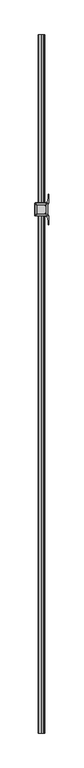
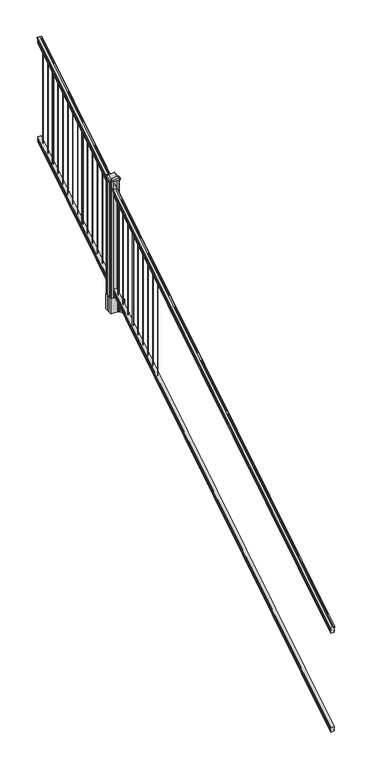
"""IFC4 building model written with IfcOpenShell, lengths in millimetres: railing geometry."""

from ifc_helpers import new_model, si_unit, point, frame, frame_2d, origin, place, context, project, spatial, polyline, circle_curve, ellipse_curve, trimmed, segment, composite_curve, outline, extrude, faceted_brep, source, transform, mapped, element, save
from ifc_brep_helpers import plane_surface, cylinder_surface, revolved_surface, extruded_surface, advanced_brep


def railing_d40b862f(model_context):
    return source(origin(), model_context, "Body", "SolidModel", [
        advanced_brep(
        [(8666.232944, -87458.4628453, 1285.6070492), (8668.8067728, -87458.4628453, 1285.6070492), (8668.8067728, -87458.4628453, 1273.0394336), (8667.7907728, -87458.4628453, 1271.841318), (8667.7907728, -87458.4628453, 1257.3), (8699.5407728, -87458.4628453, 1257.3), (8699.5407728, -87458.4628453, 1272.0274214), (8698.5247728, -87458.4628453, 1273.225537), (8698.5247728, -87458.4628453, 1285.6070492), (8701.0986015, -87458.4628453, 1285.6070492), (8701.0986015, -87458.4628453, 1287.8335658), (8702.2287878, -87458.4628453, 1289.6758543), (8702.2287878, -87458.4628453, 1298.1876358), (8701.5795314, -87458.4628453, 1301.0572588), (8704.0795314, -87458.4628453, 1306.1635509), (8705.4888739, -87458.4628453, 1308.1442021), (8705.8907729, -87458.4628453, 1309.4469579), (8705.8907728, -87458.4628453, 1311.0274846), (8704.3373255, -87458.4628453, 1312.8593836), (8683.6657728, -87458.4628453, 1312.8593836), (8662.99422, -87458.4628453, 1312.8593836), (8661.4407728, -87458.4628453, 1311.0274846), (8661.4407728, -87458.4628453, 1309.4469579), (8661.8426717, -87458.4628453, 1308.1442021), (8663.2520141, -87458.4628453, 1306.1635509), (8665.7520141, -87458.4628453, 1301.0572588), (8665.1027577, -87458.4628453, 1298.1876358), (8665.1027577, -87458.4628453, 1289.6758543), (8666.232944, -87458.4628453, 1287.8335658), (8666.232944, -82581.6628453, 4333.6070492), (8666.232944, -82581.6628453, 4335.8335658), (8665.1027577, -82581.6628453, 4337.6758543), (8665.1027577, -82581.6628453, 4346.1876358), (8665.7520141, -82581.6628453, 4349.0572588), (8663.2520141, -82581.6628453, 4354.1635509), (8661.8426717, -82581.6628453, 4356.1442021), (8661.4407727, -82581.6628453, 4357.4469579), (8661.4407728, -82581.6628453, 4359.0274846), (8662.99422, -82581.6628453, 4360.8593836), (8683.6657728, -82581.6628453, 4360.8593836), (8704.3373255, -82581.6628453, 4360.8593836), (8705.8907728, -82581.6628453, 4359.0274846), (8705.8907728, -82581.6628453, 4357.4469579), (8705.4888739, -82581.6628453, 4356.1442021), (8704.0795314, -82581.6628453, 4354.1635509), (8701.5795314, -82581.6628453, 4349.0572588), (8702.2287878, -82581.6628453, 4346.1876358), (8702.2287878, -82581.6628453, 4337.6758543), (8701.0986015, -82581.6628453, 4335.8335658), (8701.0986015, -82581.6628453, 4333.6070492), (8698.5247728, -82581.6628453, 4333.6070492), (8698.5247728, -82581.6628453, 4321.225537), (8699.5407728, -82581.6628453, 4320.0274214), (8699.5407728, -82581.6628453, 4305.3), (8667.7907728, -82581.6628453, 4305.3), (8667.7907728, -82581.6628453, 4319.841318), (8668.8067728, -82581.6628453, 4321.0394336), (8668.8067728, -82581.6628453, 4333.6070492)],
        [
            (0, 1, ellipse_curve(frame((8667.5198584, -87458.4628453, 1285.6070492), z_axis=(0.0, -1.0, 0.0), x_axis=(0.0, 0.0, -1.0)), 1.5175907, 1.2869144)),
            (1, 2),
            (2, 3),
            (3, 4),
            (4, 5),
            (5, 6),
            (6, 7),
            (7, 8),
            (8, 9, ellipse_curve(frame((8699.8116871, -87458.4628453, 1285.6070492), z_axis=(0.0, -1.0, 0.0), x_axis=(0.0, 0.0, -1.0)), 1.5175907, 1.2869144)),
            (9, 10),
            (10, 11, ellipse_curve(frame((8694.7838482, -87458.4628453, 1294.6239405), z_axis=(0.0, -1.0, 0.0), x_axis=(0.0, 0.0, -1.0)), 10.0777926, 8.545951)),
            (11, 12, ellipse_curve(frame((8695.2209112, -87458.4628453, 1293.9317451), z_axis=(0.0, -1.0, 0.0), x_axis=(0.0, 0.0, -1.0)), 9.2955186, 7.882584)),
            (12, 13, ellipse_curve(frame((8705.7342353, -87458.4628453, 1300.8275077), z_axis=(0.0, 1.0, 0.0), x_axis=(0.0, 0.0, 1.0)), 4.9048088, 4.1592695)),
            (13, 14, ellipse_curve(frame((8707.0215419, -87458.4628453, 1300.7563208), z_axis=(0.0, 1.0, 0.0), x_axis=(0.0, 0.0, 1.0)), 6.4245301, 5.4479907)),
            (14, 15, ellipse_curve(frame((8705.7883834, -87458.4628453, 1306.1602333), z_axis=(0.0, 1.0, 0.0), x_axis=(0.0, 0.0, 1.0)), 2.0151625, 1.7088543)),
            (15, 16, ellipse_curve(frame((8704.1714833, -87458.4628453, 1309.4469579), z_axis=(0.0, -1.0, 0.0), x_axis=(0.0, 0.0, -1.0)), 2.0274681, 1.7192895)),
            (16, 17),
            (17, 18, ellipse_curve(frame((8704.3373255, -87458.4628453, 1311.0274846), z_axis=(0.0, -1.0, 0.0), x_axis=(0.0, 0.0, -1.0)), 1.831899, 1.5534472)),
            (18, 19),
            (19, 20),
            (20, 21, ellipse_curve(frame((8662.99422, -87458.4628453, 1311.0274846), z_axis=(0.0, -1.0, 0.0), x_axis=(0.0, 0.0, -1.0)), 1.831899, 1.5534472)),
            (21, 22),
            (22, 23, ellipse_curve(frame((8663.1600622, -87458.4628453, 1309.4469579), z_axis=(0.0, -1.0, 0.0), x_axis=(0.0, 0.0, -1.0)), 2.0274681, 1.7192895)),
            (23, 24, ellipse_curve(frame((8661.5431621, -87458.4628453, 1306.1602333), z_axis=(0.0, 1.0, 0.0), x_axis=(0.0, 0.0, 1.0)), 2.0151625, 1.7088543)),
            (24, 25, ellipse_curve(frame((8660.3100037, -87458.4628453, 1300.7563208), z_axis=(0.0, 1.0, 0.0), x_axis=(0.0, 0.0, 1.0)), 6.4245301, 5.4479907)),
            (25, 26, ellipse_curve(frame((8661.5973102, -87458.4628453, 1300.8275077), z_axis=(0.0, 1.0, 0.0), x_axis=(0.0, 0.0, 1.0)), 4.9048088, 4.1592695)),
            (26, 27, ellipse_curve(frame((8672.1106343, -87458.4628453, 1293.9317451), z_axis=(0.0, -1.0, 0.0), x_axis=(0.0, 0.0, -1.0)), 9.2955186, 7.882584)),
            (27, 28, ellipse_curve(frame((8672.5476973, -87458.4628453, 1294.6239405), z_axis=(0.0, -1.0, 0.0), x_axis=(0.0, 0.0, -1.0)), 10.0777926, 8.545951)),
            (28, 0),
            (29, 30),
            (30, 31, ellipse_curve(frame((8672.5476973, -82581.6628453, 4342.6239405), z_axis=(0.0, 1.0, 0.0), x_axis=(0.0, 0.0, -1.0)), 10.0777926, 8.545951)),
            (31, 32, ellipse_curve(frame((8672.1106343, -82581.6628453, 4341.9317451), z_axis=(0.0, 1.0, 0.0), x_axis=(0.0, 0.0, -1.0)), 9.2955186, 7.882584)),
            (32, 33, ellipse_curve(frame((8661.5973102, -82581.6628453, 4348.8275077), z_axis=(0.0, -1.0, 0.0), x_axis=(0.0, 0.0, 1.0)), 4.9048088, 4.1592695)),
            (33, 34, ellipse_curve(frame((8660.3100037, -82581.6628453, 4348.7563208), z_axis=(0.0, -1.0, 0.0), x_axis=(0.0, 0.0, 1.0)), 6.4245301, 5.4479907)),
            (34, 35, ellipse_curve(frame((8661.5431621, -82581.6628453, 4354.1602333), z_axis=(0.0, -1.0, 0.0), x_axis=(0.0, 0.0, 1.0)), 2.0151625, 1.7088543)),
            (35, 36, ellipse_curve(frame((8663.1600622, -82581.6628453, 4357.4469579), z_axis=(0.0, 1.0, 0.0), x_axis=(0.0, 0.0, -1.0)), 2.0274681, 1.7192895)),
            (36, 37),
            (37, 38, ellipse_curve(frame((8662.99422, -82581.6628453, 4359.0274846), z_axis=(0.0, 1.0, 0.0), x_axis=(0.0, 0.0, -1.0)), 1.831899, 1.5534472)),
            (38, 39),
            (39, 40),
            (40, 41, ellipse_curve(frame((8704.3373255, -82581.6628453, 4359.0274846), z_axis=(0.0, 1.0, 0.0), x_axis=(0.0, 0.0, -1.0)), 1.831899, 1.5534472)),
            (41, 42),
            (42, 43, ellipse_curve(frame((8704.1714833, -82581.6628453, 4357.4469579), z_axis=(0.0, 1.0, 0.0), x_axis=(0.0, 0.0, -1.0)), 2.0274681, 1.7192895)),
            (43, 44, ellipse_curve(frame((8705.7883834, -82581.6628453, 4354.1602333), z_axis=(0.0, -1.0, 0.0), x_axis=(0.0, 0.0, 1.0)), 2.0151625, 1.7088543)),
            (44, 45, ellipse_curve(frame((8707.0215419, -82581.6628453, 4348.7563208), z_axis=(0.0, -1.0, 0.0), x_axis=(0.0, 0.0, 1.0)), 6.4245301, 5.4479907)),
            (45, 46, ellipse_curve(frame((8705.7342353, -82581.6628453, 4348.8275077), z_axis=(0.0, -1.0, 0.0), x_axis=(0.0, 0.0, 1.0)), 4.9048088, 4.1592695)),
            (46, 47, ellipse_curve(frame((8695.2209112, -82581.6628453, 4341.9317451), z_axis=(0.0, 1.0, 0.0), x_axis=(0.0, 0.0, -1.0)), 9.2955186, 7.882584)),
            (47, 48, ellipse_curve(frame((8694.7838482, -82581.6628453, 4342.6239405), z_axis=(0.0, 1.0, 0.0), x_axis=(0.0, 0.0, -1.0)), 10.0777926, 8.545951)),
            (48, 49),
            (49, 50, ellipse_curve(frame((8699.8116871, -82581.6628453, 4333.6070492), z_axis=(0.0, 1.0, 0.0), x_axis=(0.0, 0.0, -1.0)), 1.5175907, 1.2869144)),
            (50, 51),
            (51, 52),
            (52, 53),
            (53, 54),
            (54, 55),
            (55, 56),
            (56, 57),
            (57, 29, ellipse_curve(frame((8667.5198584, -82581.6628453, 4333.6070492), z_axis=(0.0, 1.0, 0.0), x_axis=(0.0, 0.0, -1.0)), 1.5175907, 1.2869144)),
            (28, 30),
            (29, 0),
            (27, 31),
            (26, 32),
            (25, 33),
            (24, 34),
            (23, 35),
            (22, 36),
            (21, 37),
            (20, 38),
            (19, 39),
            (18, 40),
            (17, 41),
            (16, 42),
            (15, 43),
            (14, 44),
            (13, 45),
            (12, 46),
            (11, 47),
            (10, 48),
            (9, 49),
            (8, 50),
            (7, 51),
            (6, 52),
            (5, 53),
            (4, 54),
            (3, 55),
            (2, 56),
            (1, 57),
        ],
        [
            plane_surface(frame((8683.6657728, -87458.4628453, 1257.3), z_axis=(0.0, -1.0, 0.0), x_axis=(0.0, 0.0, 1.0))),
            plane_surface(frame((8683.6657728, -82581.6628453, 4305.3), z_axis=(0.0, 1.0, 0.0), x_axis=(0.0, 0.0, 1.0))),
            plane_surface(frame((8666.232944, -87458.4628453, 1287.8335658), z_axis=(-1.0, 0.0, 0.0), x_axis=(0.0, 0.8479983040051252, 0.5299989400031204))),
            cylinder_surface(frame((8672.5476973, -87475.23765, 1284.1396876), z_axis=(0.0, -0.8479983040051253, -0.5299989400031204), x_axis=(1.0, 0.0, 0.0)), 8.545951),
            cylinder_surface(frame((8672.1106343, -87474.9265509, 1283.641929), z_axis=(0.0, -0.8479983040051253, -0.5299989400031204), x_axis=(1.0, 0.0, 0.0)), 7.882584),
            revolved_surface(polyline([(8665.7565797, -82579.45843685034, 4350.205262980551), (8665.7565797, -87460.66725374945, 1299.4497524190954)]), (8661.5973102, -87478.0257701, 1288.6006797), (0.0, 0.8479983040051253, 0.5299989400031204)),
            revolved_surface(polyline([(8665.7579944, -82578.77541603574, 4350.5609640771845), (8665.7579944, -87461.35027455281, 1298.9516775044929)]), (8660.3100037, -87477.993776, 1288.5494891), (0.0, 0.8479983040051253, 0.5299989400031204)),
            revolved_surface(polyline([(8663.252016400002, -82580.75715429979, 4354.726290199658), (8663.252016400002, -87459.36853632248, 1305.5941764359545)]), (8661.5431621, -87480.4225007, 1292.4354487), (0.0, 0.8479983040051253, 0.5299989400031204)),
            cylinder_surface(frame((8663.1600622, -87481.8996803, 1294.798936), z_axis=(0.0, -0.8479983040051253, -0.5299989400031204), x_axis=(1.0, 0.0, 0.0)), 1.7192895),
            plane_surface(frame((8661.4407728, -87458.4628453, 1311.0274846), z_axis=(-1.0000000000000002, 0.0, 0.0), x_axis=(0.0, 0.8479983040051253, 0.5299989400031204))),
            cylinder_surface(frame((8662.99422, -87482.6100294, 1295.9354945), z_axis=(0.0, -0.8479983040051253, -0.5299989400031204), x_axis=(1.0, 0.0, 0.0)), 1.5534472),
            plane_surface(frame((8683.6657728, -87458.4628453, 1312.8593836), z_axis=(0.0, -0.5299989400031204, 0.8479983040051252), x_axis=(0.0, 0.8479983040051252, 0.5299989400031204))),
            plane_surface(frame((8704.3373255, -87458.4628453, 1312.8593836), z_axis=(0.0, -0.5299989400031204, 0.8479983040051252), x_axis=(0.0, 0.8479983040051252, 0.5299989400031204))),
            cylinder_surface(frame((8704.3373255, -87482.6100294, 1295.9354945), z_axis=(0.0, -0.8479983040051253, -0.5299989400031204), x_axis=(-1.0, 0.0, 0.0)), 1.5534472),
            plane_surface(frame((8705.8907728, -87458.4628453, 1309.4469579), z_axis=(1.0, 0.0, 0.0), x_axis=(0.0, 0.8479983040051252, 0.5299989400031204))),
            cylinder_surface(frame((8704.1714833, -87481.8996803, 1294.798936), z_axis=(0.0, -0.8479983040051253, -0.5299989400031204), x_axis=(-1.0, 0.0, 0.0)), 1.7192895),
            revolved_surface(polyline([(8704.0795291, -82580.75715429979, 4354.726290199658), (8704.0795291, -87459.36853632248, 1305.5941764359545)]), (8705.7883834, -87480.4225007, 1292.4354487), (0.0, 0.8479983040051253, 0.5299989400031204)),
            revolved_surface(polyline([(8701.5735512, -82578.77541603574, 4350.5609640771845), (8701.5735512, -87461.35027455281, 1298.9516775044929)]), (8707.0215419, -87477.993776, 1288.5494891), (0.0, 0.8479983040051253, 0.5299989400031204)),
            revolved_surface(polyline([(8701.5749658, -82579.45843685034, 4350.205262980551), (8701.5749658, -87460.66725374945, 1299.4497524190954)]), (8705.7342353, -87478.0257701, 1288.6006797), (0.0, 0.8479983040051253, 0.5299989400031204)),
            cylinder_surface(frame((8695.2209112, -87474.9265509, 1283.641929), z_axis=(0.0, -0.8479983040051253, -0.5299989400031204), x_axis=(-1.0, 0.0, 0.0)), 7.882584),
            cylinder_surface(frame((8694.7838482, -87475.23765, 1284.1396876), z_axis=(0.0, -0.8479983040051253, -0.5299989400031204), x_axis=(-1.0, 0.0, 0.0)), 8.545951),
            plane_surface(frame((8701.0986015, -87458.4628453, 1285.6070492), z_axis=(1.0, 0.0, 0.0), x_axis=(0.0, 0.8479983040051252, 0.5299989400031204))),
            cylinder_surface(frame((8699.8116871, -87471.1851146, 1277.6556309), z_axis=(0.0, -0.8479983040051253, -0.5299989400031204), x_axis=(-1.0, 0.0, 0.0)), 1.2869144),
            plane_surface(frame((8698.5247728, -87458.4628453, 1273.225537), z_axis=(1.0, 0.0, 0.0), x_axis=(0.0, 0.8479983040051252, 0.5299989400031204))),
            plane_surface(frame((8699.5407728, -87458.4628453, 1272.0274214), z_axis=(0.7071067811865425, -0.37476584449789213, 0.5996253511967194), x_axis=(0.0, 0.8479983040051252, 0.5299989400031204))),
            plane_surface(frame((8699.5407728, -87458.4628453, 1257.3), z_axis=(1.0, 0.0, 0.0), x_axis=(0.0, 0.8479983040051252, 0.5299989400031204))),
            plane_surface(frame((8667.7907728, -87458.4628453, 1257.3), z_axis=(0.0, 0.5299989400031204, -0.8479983040051252), x_axis=(0.0, 0.8479983040051252, 0.5299989400031204))),
            plane_surface(frame((8667.7907728, -87458.4628453, 1271.841318), z_axis=(-1.0, 0.0, 0.0), x_axis=(0.0, 0.8479983040051253, 0.5299989400031203))),
            plane_surface(frame((8668.8067728, -87458.4628453, 1273.0394336), z_axis=(-0.7071067811865401, -0.3747658444978918, 0.5996253511967223), x_axis=(0.0, 0.8479983040051253, 0.5299989400031204))),
            plane_surface(frame((8668.8067728, -87458.4628453, 1285.6070492), z_axis=(-1.0, 0.0, 0.0), x_axis=(0.0, 0.8479983040051252, 0.5299989400031204))),
            cylinder_surface(frame((8667.5198584, -87471.1851146, 1277.6556309), z_axis=(0.0, -0.8479983040051253, -0.5299989400031204), x_axis=(1.0, 0.0, 0.0)), 1.2869144),
        ],
        [
            (0, [[1, 2, 3, 4, 5, 6, 7, 8, 9, 10, 11, 12, 13, 14, 15, 16, 17, 18, 19, 20, 21, 22, 23, 24, 25, 26, 27, 28, 29]]),
            (1, [[30, 31, 32, 33, 34, 35, 36, 37, 38, 39, 40, 41, 42, 43, 44, 45, 46, 47, 48, 49, 50, 51, 52, 53, 54, 55, 56, 57, 58]]),
            (2, [[-29, 59, -30, 60]]),
            (3, [[-28, 61, -31, -59]]),
            (4, [[-27, 62, -32, -61]]),
            (5, [[-26, 63, -33, -62]]),
            (6, [[-25, 64, -34, -63]]),
            (7, [[-24, 65, -35, -64]]),
            (8, [[-23, 66, -36, -65]]),
            (9, [[-22, 67, -37, -66]]),
            (10, [[-21, 68, -38, -67]]),
            (11, [[-20, 69, -39, -68]]),
            (12, [[-19, 70, -40, -69]]),
            (13, [[-18, 71, -41, -70]]),
            (14, [[-17, 72, -42, -71]]),
            (15, [[-16, 73, -43, -72]]),
            (16, [[-15, 74, -44, -73]]),
            (17, [[-14, 75, -45, -74]]),
            (18, [[-13, 76, -46, -75]]),
            (19, [[-12, 77, -47, -76]]),
            (20, [[-11, 78, -48, -77]]),
            (21, [[-10, 79, -49, -78]]),
            (22, [[-9, 80, -50, -79]]),
            (23, [[-8, 81, -51, -80]]),
            (24, [[-7, 82, -52, -81]]),
            (25, [[-6, 83, -53, -82]]),
            (26, [[-5, 84, -54, -83]]),
            (27, [[-4, 85, -55, -84]]),
            (28, [[-3, 86, -56, -85]]),
            (29, [[-2, 87, -57, -86]]),
            (30, [[-1, -60, -58, -87]]),
        ],
    ),
        faceted_brep([(8667.7532859, -87458.4628453, 268.8045079), (8667.7532859, -87458.4628453, 254.0), (8699.5032859, -87458.4628453, 254.0), (8699.5032859, -87458.4628453, 268.7848772), (8698.4872859, -87458.4628453, 270.3748303), (8698.4872859, -87458.4628453, 282.5348741), (8699.5032859, -87458.4628453, 284.1248272), (8699.5032859, -87458.4628453, 298.9244744), (8667.7532859, -87458.4628453, 298.9244744), (8667.7532859, -87458.4628453, 284.1444579), (8668.7692859, -87458.4628453, 282.5545048), (8668.7692859, -87458.4628453, 270.338026), (8667.7532859, -82581.6628453, 3316.8045079), (8668.7692859, -82581.6628453, 3318.338026), (8668.7692859, -82581.6628453, 3330.5545048), (8667.7532859, -82581.6628453, 3332.1444579), (8667.7532859, -82581.6628453, 3346.9244744), (8699.5032859, -82581.6628453, 3346.9244744), (8699.5032859, -82581.6628453, 3332.1248272), (8698.4872859, -82581.6628453, 3330.5348741), (8698.4872859, -82581.6628453, 3318.3748303), (8699.5032859, -82581.6628453, 3316.7848772), (8699.5032859, -82581.6628453, 3302.0), (8667.7532859, -82581.6628453, 3302.0)], [[[0, 1, 2, 3, 4, 5, 6, 7, 8, 9, 10, 11]], [[12, 13, 14, 15, 16, 17, 18, 19, 20, 21, 22, 23]], [[0, 11, 13, 12]], [[11, 10, 14, 13]], [[10, 9, 15, 14]], [[9, 8, 16, 15]], [[8, 7, 17, 16]], [[7, 6, 18, 17]], [[6, 5, 19, 18]], [[5, 4, 20, 19]], [[4, 3, 21, 20]], [[3, 2, 22, 21]], [[2, 1, 23, 22]], [[1, 0, 12, 23]]]),
        extrude(outline(composite_curve([segment(trimmed(circle_curve(frame_2d((8683.6657728, -82638.8128453)), 1.5875), [point((8682.0782728, -82638.8128453))], [point((8683.6657728, -82637.2253453))], False, "CARTESIAN"), True, "CONTINUOUS"), segment(trimmed(circle_curve(frame_2d((8683.6657728, -82638.8128453)), 1.5875), [point((8683.6657728, -82637.2253453))], [point((8685.2532728, -82638.8128453))], False, "CARTESIAN"), True, "CONTINUOUS"), segment(trimmed(circle_curve(frame_2d((8683.6657728, -82638.8128453)), 1.5875), [point((8685.2532728, -82638.8128453))], [point((8683.6657728, -82640.4003453))], False, "CARTESIAN"), True, "CONTINUOUS"), segment(trimmed(circle_curve(frame_2d((8683.6657728, -82638.8128453)), 1.5875), [point((8683.6657728, -82640.4003453))], [point((8682.0782728, -82638.8128453))], False, "CARTESIAN"), True, "CONTINUOUS")], self_intersect=False)), frame((0.0, 0.0, 3304.3771281), z_axis=(0.0, 0.0, 1.0), x_axis=(1.0, 0.0, 0.0)), (0.0, 0.0, 1.0), 965.2041219),
        extrude(outline(composite_curve([segment(trimmed(circle_curve(frame_2d((8683.6657728, -82721.3628453)), 1.5875), [point((8682.0782728, -82721.3628453))], [point((8683.6657728, -82719.7753453))], False, "CARTESIAN"), True, "CONTINUOUS"), segment(trimmed(circle_curve(frame_2d((8683.6657728, -82721.3628453)), 1.5875), [point((8683.6657728, -82719.7753453))], [point((8685.2532728, -82721.3628453))], False, "CARTESIAN"), True, "CONTINUOUS"), segment(trimmed(circle_curve(frame_2d((8683.6657728, -82721.3628453)), 1.5875), [point((8685.2532728, -82721.3628453))], [point((8683.6657728, -82722.9503453))], False, "CARTESIAN"), True, "CONTINUOUS"), segment(trimmed(circle_curve(frame_2d((8683.6657728, -82721.3628453)), 1.5875), [point((8683.6657728, -82722.9503453))], [point((8682.0782728, -82721.3628453))], False, "CARTESIAN"), True, "CONTINUOUS")], self_intersect=False)), frame((0.0, 0.0, 3252.7833781), z_axis=(0.0, 0.0, 1.0), x_axis=(1.0, 0.0, 0.0)), (0.0, 0.0, 1.0), 965.2041219),
        extrude(outline(composite_curve([segment(trimmed(circle_curve(frame_2d((8683.6657728, -82803.9128453)), 6.35), [point((8677.3157728, -82803.9128453))], [point((8683.6657728, -82797.5628453))], False, "CARTESIAN"), True, "CONTINUOUS"), segment(trimmed(circle_curve(frame_2d((8683.6657728, -82803.9128453)), 6.35), [point((8683.6657728, -82797.5628453))], [point((8690.0157728, -82803.9128453))], False, "CARTESIAN"), True, "CONTINUOUS"), segment(trimmed(circle_curve(frame_2d((8683.6657728, -82803.9128453)), 6.35), [point((8690.0157728, -82803.9128453))], [point((8683.6657728, -82810.2628453))], False, "CARTESIAN"), True, "CONTINUOUS"), segment(trimmed(circle_curve(frame_2d((8683.6657728, -82803.9128453)), 6.35), [point((8683.6657728, -82810.2628453))], [point((8677.3157728, -82803.9128453))], False, "CARTESIAN"), True, "CONTINUOUS")], self_intersect=False)), frame((0.0, 0.0, 3201.1896281), z_axis=(0.0, 0.0, 1.0), x_axis=(1.0, 0.0, 0.0)), (0.0, 0.0, 1.0), 965.2041219),
        extrude(outline(composite_curve([segment(trimmed(circle_curve(frame_2d((8683.6657728, -82886.4628453)), 1.5875), [point((8682.0782728, -82886.4628453))], [point((8683.6657728, -82884.8753453))], False, "CARTESIAN"), True, "CONTINUOUS"), segment(trimmed(circle_curve(frame_2d((8683.6657728, -82886.4628453)), 1.5875), [point((8683.6657728, -82884.8753453))], [point((8685.2532728, -82886.4628453))], False, "CARTESIAN"), True, "CONTINUOUS"), segment(trimmed(circle_curve(frame_2d((8683.6657728, -82886.4628453)), 1.5875), [point((8685.2532728, -82886.4628453))], [point((8683.6657728, -82888.0503453))], False, "CARTESIAN"), True, "CONTINUOUS"), segment(trimmed(circle_curve(frame_2d((8683.6657728, -82886.4628453)), 1.5875), [point((8683.6657728, -82888.0503453))], [point((8682.0782728, -82886.4628453))], False, "CARTESIAN"), True, "CONTINUOUS")], self_intersect=False)), frame((0.0, 0.0, 3149.5958781), z_axis=(0.0, 0.0, 1.0), x_axis=(1.0, 0.0, 0.0)), (0.0, 0.0, 1.0), 965.2041219),
        extrude(outline(composite_curve([segment(trimmed(circle_curve(frame_2d((8683.6657728, -82969.0128453)), 1.5875), [point((8682.0782728, -82969.0128453))], [point((8683.6657728, -82967.4253453))], False, "CARTESIAN"), True, "CONTINUOUS"), segment(trimmed(circle_curve(frame_2d((8683.6657728, -82969.0128453)), 1.5875), [point((8683.6657728, -82967.4253453))], [point((8685.2532728, -82969.0128453))], False, "CARTESIAN"), True, "CONTINUOUS"), segment(trimmed(circle_curve(frame_2d((8683.6657728, -82969.0128453)), 1.5875), [point((8685.2532728, -82969.0128453))], [point((8683.6657728, -82970.6003453))], False, "CARTESIAN"), True, "CONTINUOUS"), segment(trimmed(circle_curve(frame_2d((8683.6657728, -82969.0128453)), 1.5875), [point((8683.6657728, -82970.6003453))], [point((8682.0782728, -82969.0128453))], False, "CARTESIAN"), True, "CONTINUOUS")], self_intersect=False)), frame((0.0, 0.0, 3098.0021281), z_axis=(0.0, 0.0, 1.0), x_axis=(1.0, 0.0, 0.0)), (0.0, 0.0, 1.0), 965.2041219),
        extrude(outline(composite_curve([segment(trimmed(circle_curve(frame_2d((8683.6657728, -83051.5628453)), 1.5875), [point((8682.0782728, -83051.5628453))], [point((8683.6657728, -83049.9753453))], False, "CARTESIAN"), True, "CONTINUOUS"), segment(trimmed(circle_curve(frame_2d((8683.6657728, -83051.5628453)), 1.5875), [point((8683.6657728, -83049.9753453))], [point((8685.2532728, -83051.5628453))], False, "CARTESIAN"), True, "CONTINUOUS"), segment(trimmed(circle_curve(frame_2d((8683.6657728, -83051.5628453)), 1.5875), [point((8685.2532728, -83051.5628453))], [point((8683.6657728, -83053.1503453))], False, "CARTESIAN"), True, "CONTINUOUS"), segment(trimmed(circle_curve(frame_2d((8683.6657728, -83051.5628453)), 1.5875), [point((8683.6657728, -83053.1503453))], [point((8682.0782728, -83051.5628453))], False, "CARTESIAN"), True, "CONTINUOUS")], self_intersect=False)), frame((0.0, 0.0, 3046.4083781), z_axis=(0.0, 0.0, 1.0), x_axis=(1.0, 0.0, 0.0)), (0.0, 0.0, 1.0), 965.2041219),
        extrude(outline(composite_curve([segment(trimmed(circle_curve(frame_2d((8683.6657728, -83134.1128453)), 1.5875), [point((8682.0782728, -83134.1128453))], [point((8683.6657728, -83132.5253453))], False, "CARTESIAN"), True, "CONTINUOUS"), segment(trimmed(circle_curve(frame_2d((8683.6657728, -83134.1128453)), 1.5875), [point((8683.6657728, -83132.5253453))], [point((8685.2532728, -83134.1128453))], False, "CARTESIAN"), True, "CONTINUOUS"), segment(trimmed(circle_curve(frame_2d((8683.6657728, -83134.1128453)), 1.5875), [point((8685.2532728, -83134.1128453))], [point((8683.6657728, -83135.7003453))], False, "CARTESIAN"), True, "CONTINUOUS"), segment(trimmed(circle_curve(frame_2d((8683.6657728, -83134.1128453)), 1.5875), [point((8683.6657728, -83135.7003453))], [point((8682.0782728, -83134.1128453))], False, "CARTESIAN"), True, "CONTINUOUS")], self_intersect=False)), frame((0.0, 0.0, 2994.8146281), z_axis=(0.0, 0.0, 1.0), x_axis=(1.0, 0.0, 0.0)), (0.0, 0.0, 1.0), 965.2041219),
        extrude(outline(composite_curve([segment(trimmed(circle_curve(frame_2d((8683.6657728, -83216.6628453)), 1.5875), [point((8682.0782728, -83216.6628453))], [point((8683.6657728, -83215.0753453))], False, "CARTESIAN"), True, "CONTINUOUS"), segment(trimmed(circle_curve(frame_2d((8683.6657728, -83216.6628453)), 1.5875), [point((8683.6657728, -83215.0753453))], [point((8685.2532728, -83216.6628453))], False, "CARTESIAN"), True, "CONTINUOUS"), segment(trimmed(circle_curve(frame_2d((8683.6657728, -83216.6628453)), 1.5875), [point((8685.2532728, -83216.6628453))], [point((8683.6657728, -83218.2503453))], False, "CARTESIAN"), True, "CONTINUOUS"), segment(trimmed(circle_curve(frame_2d((8683.6657728, -83216.6628453)), 1.5875), [point((8683.6657728, -83218.2503453))], [point((8682.0782728, -83216.6628453))], False, "CARTESIAN"), True, "CONTINUOUS")], self_intersect=False)), frame((0.0, 0.0, 2943.2208781), z_axis=(0.0, 0.0, 1.0), x_axis=(1.0, 0.0, 0.0)), (0.0, 0.0, 1.0), 965.2041219),
        extrude(outline(composite_curve([segment(trimmed(circle_curve(frame_2d((8683.6657728, -83299.2128453)), 6.35), [point((8677.3157728, -83299.2128453))], [point((8683.6657728, -83292.8628453))], False, "CARTESIAN"), True, "CONTINUOUS"), segment(trimmed(circle_curve(frame_2d((8683.6657728, -83299.2128453)), 6.35), [point((8683.6657728, -83292.8628453))], [point((8690.0157728, -83299.2128453))], False, "CARTESIAN"), True, "CONTINUOUS"), segment(trimmed(circle_curve(frame_2d((8683.6657728, -83299.2128453)), 6.35), [point((8690.0157728, -83299.2128453))], [point((8683.6657728, -83305.5628453))], False, "CARTESIAN"), True, "CONTINUOUS"), segment(trimmed(circle_curve(frame_2d((8683.6657728, -83299.2128453)), 6.35), [point((8683.6657728, -83305.5628453))], [point((8677.3157728, -83299.2128453))], False, "CARTESIAN"), True, "CONTINUOUS")], self_intersect=False)), frame((0.0, 0.0, 2891.6271281), z_axis=(0.0, 0.0, 1.0), x_axis=(1.0, 0.0, 0.0)), (0.0, 0.0, 1.0), 965.2041219),
        extrude(outline(composite_curve([segment(trimmed(circle_curve(frame_2d((8683.6657728, -83381.7628453)), 1.5875), [point((8682.0782728, -83381.7628453))], [point((8683.6657728, -83380.1753453))], False, "CARTESIAN"), True, "CONTINUOUS"), segment(trimmed(circle_curve(frame_2d((8683.6657728, -83381.7628453)), 1.5875), [point((8683.6657728, -83380.1753453))], [point((8685.2532728, -83381.7628453))], False, "CARTESIAN"), True, "CONTINUOUS"), segment(trimmed(circle_curve(frame_2d((8683.6657728, -83381.7628453)), 1.5875), [point((8685.2532728, -83381.7628453))], [point((8683.6657728, -83383.3503453))], False, "CARTESIAN"), True, "CONTINUOUS"), segment(trimmed(circle_curve(frame_2d((8683.6657728, -83381.7628453)), 1.5875), [point((8683.6657728, -83383.3503453))], [point((8682.0782728, -83381.7628453))], False, "CARTESIAN"), True, "CONTINUOUS")], self_intersect=False)), frame((0.0, 0.0, 2840.0333781), z_axis=(0.0, 0.0, 1.0), x_axis=(1.0, 0.0, 0.0)), (0.0, 0.0, 1.0), 965.2041219),
        extrude(outline(composite_curve([segment(trimmed(circle_curve(frame_2d((8683.6657728, -83464.3128453)), 1.5875), [point((8682.0782728, -83464.3128453))], [point((8683.6657728, -83462.7253453))], False, "CARTESIAN"), True, "CONTINUOUS"), segment(trimmed(circle_curve(frame_2d((8683.6657728, -83464.3128453)), 1.5875), [point((8683.6657728, -83462.7253453))], [point((8685.2532728, -83464.3128453))], False, "CARTESIAN"), True, "CONTINUOUS"), segment(trimmed(circle_curve(frame_2d((8683.6657728, -83464.3128453)), 1.5875), [point((8685.2532728, -83464.3128453))], [point((8683.6657728, -83465.9003453))], False, "CARTESIAN"), True, "CONTINUOUS"), segment(trimmed(circle_curve(frame_2d((8683.6657728, -83464.3128453)), 1.5875), [point((8683.6657728, -83465.9003453))], [point((8682.0782728, -83464.3128453))], False, "CARTESIAN"), True, "CONTINUOUS")], self_intersect=False)), frame((0.0, 0.0, 2788.4396281), z_axis=(0.0, 0.0, 1.0), x_axis=(1.0, 0.0, 0.0)), (0.0, 0.0, 1.0), 965.2041219),
        extrude(outline(composite_curve([segment(trimmed(circle_curve(frame_2d((8683.6657728, -83546.8628453)), 1.5875), [point((8682.0782728, -83546.8628453))], [point((8683.6657728, -83545.2753453))], False, "CARTESIAN"), True, "CONTINUOUS"), segment(trimmed(circle_curve(frame_2d((8683.6657728, -83546.8628453)), 1.5875), [point((8683.6657728, -83545.2753453))], [point((8685.2532728, -83546.8628453))], False, "CARTESIAN"), True, "CONTINUOUS"), segment(trimmed(circle_curve(frame_2d((8683.6657728, -83546.8628453)), 1.5875), [point((8685.2532728, -83546.8628453))], [point((8683.6657728, -83548.4503453))], False, "CARTESIAN"), True, "CONTINUOUS"), segment(trimmed(circle_curve(frame_2d((8683.6657728, -83546.8628453)), 1.5875), [point((8683.6657728, -83548.4503453))], [point((8682.0782728, -83546.8628453))], False, "CARTESIAN"), True, "CONTINUOUS")], self_intersect=False)), frame((0.0, 0.0, 2736.8458781), z_axis=(0.0, 0.0, 1.0), x_axis=(1.0, 0.0, 0.0)), (0.0, 0.0, 1.0), 965.2041219),
        extrude(outline(composite_curve([segment(trimmed(circle_curve(frame_2d((8683.6657728, -83629.4128453)), 1.5875), [point((8682.0782728, -83629.4128453))], [point((8683.6657728, -83627.8253453))], False, "CARTESIAN"), True, "CONTINUOUS"), segment(trimmed(circle_curve(frame_2d((8683.6657728, -83629.4128453)), 1.5875), [point((8683.6657728, -83627.8253453))], [point((8685.2532728, -83629.4128453))], False, "CARTESIAN"), True, "CONTINUOUS"), segment(trimmed(circle_curve(frame_2d((8683.6657728, -83629.4128453)), 1.5875), [point((8685.2532728, -83629.4128453))], [point((8683.6657728, -83631.0003453))], False, "CARTESIAN"), True, "CONTINUOUS"), segment(trimmed(circle_curve(frame_2d((8683.6657728, -83629.4128453)), 1.5875), [point((8683.6657728, -83631.0003453))], [point((8682.0782728, -83629.4128453))], False, "CARTESIAN"), True, "CONTINUOUS")], self_intersect=False)), frame((0.0, 0.0, 2685.2521281), z_axis=(0.0, 0.0, 1.0), x_axis=(1.0, 0.0, 0.0)), (0.0, 0.0, 1.0), 965.2041219),
        extrude(outline(composite_curve([segment(trimmed(circle_curve(frame_2d((8683.6657728, -83711.9628453)), 1.5875), [point((8682.0782728, -83711.9628453))], [point((8683.6657728, -83710.3753453))], False, "CARTESIAN"), True, "CONTINUOUS"), segment(trimmed(circle_curve(frame_2d((8683.6657728, -83711.9628453)), 1.5875), [point((8683.6657728, -83710.3753453))], [point((8685.2532728, -83711.9628453))], False, "CARTESIAN"), True, "CONTINUOUS"), segment(trimmed(circle_curve(frame_2d((8683.6657728, -83711.9628453)), 1.5875), [point((8685.2532728, -83711.9628453))], [point((8683.6657728, -83713.5503453))], False, "CARTESIAN"), True, "CONTINUOUS"), segment(trimmed(circle_curve(frame_2d((8683.6657728, -83711.9628453)), 1.5875), [point((8683.6657728, -83713.5503453))], [point((8682.0782728, -83711.9628453))], False, "CARTESIAN"), True, "CONTINUOUS")], self_intersect=False)), frame((0.0, 0.0, 2633.6583781), z_axis=(0.0, 0.0, 1.0), x_axis=(1.0, 0.0, 0.0)), (0.0, 0.0, 1.0), 965.2041219),
        extrude(outline(composite_curve([segment(polyline([(8640.9302728, -83818.2489401), (8640.9302728, -83783.4767504), (8639.3427728, -83782.7147504), (8639.3427728, -83759.9128224), (8642.7157498, -83756.5398453), (8704.1754206, -83756.5398453), (8704.1754206, -83755.6190953), (8709.4929645, -83755.6190953), (8709.4929645, -83754.1648406), (8714.5774942, -83754.1648406), (8714.5774942, -83752.8808168), (8716.2447665, -83752.8808168)]), True, "CONTINUOUS"), segment(trimmed(circle_curve(frame_2d((8716.2447665, -83745.8213569)), 7.0594599), [point((8716.2447665, -83752.8808168))], [point((8723.0120293, -83747.8313636))], True, "CARTESIAN"), True, "CONTINUOUS"), segment(polyline([(8723.0120293, -83747.8313636), (8730.8862236, -83721.3206345)]), True, "CONTINUOUS"), segment(trimmed(circle_curve(frame_2d((8676.1017103, -83705.0485848)), 57.15), [point((8730.8862236, -83721.3206345))], [point((8733.2517103, -83705.0485848))], True, "CARTESIAN"), True, "CONTINUOUS"), segment(polyline([(8733.2517103, -83705.0485848), (8733.2517103, -83693.0398453), (8736.2517103, -83693.0398453), (8736.2517103, -83758.1273453), (8727.9887728, -83769.4656366), (8727.9887728, -83782.7147504), (8726.4012728, -83783.4767504), (8726.4012728, -83818.2489401), (8727.9887728, -83819.0109401), (8727.9887728, -83832.260054), (8736.2517103, -83843.5983453), (8736.2517103, -83908.6858453), (8733.2517103, -83908.6858453), (8733.2517103, -83896.6771057)]), True, "CONTINUOUS"), segment(trimmed(circle_curve(frame_2d((8676.1017103, -83896.6771057)), 57.15), [point((8733.2517103, -83896.6771057))], [point((8730.8862236, -83880.4050561))], True, "CARTESIAN"), True, "CONTINUOUS"), segment(polyline([(8730.8862236, -83880.4050561), (8723.0120293, -83853.894327)]), True, "CONTINUOUS"), segment(trimmed(circle_curve(frame_2d((8716.2447665, -83855.9043337)), 7.0594599), [point((8723.0120293, -83853.894327))], [point((8716.2447665, -83848.8448738))], True, "CARTESIAN"), True, "CONTINUOUS"), segment(polyline([(8716.2447665, -83848.8448738), (8714.5774942, -83848.8448738), (8714.5774942, -83847.56085), (8709.4929645, -83847.56085), (8709.4929645, -83846.1065953), (8704.1754206, -83846.1065953), (8704.1754206, -83845.1858453), (8642.7157498, -83845.1858453), (8639.3427728, -83841.8128682), (8639.3427728, -83819.0109401), (8640.9302728, -83818.2489401)]), True, "CONTINUOUS")], self_intersect=False), holes=[polyline([(8724.9407728, -83761.1753453), (8723.3532728, -83759.5878453), (8686.4289902, -83759.5878453), (8643.9782728, -83759.5878453), (8642.3907728, -83761.1753453), (8642.3907728, -83840.5503453), (8643.9782728, -83842.1378453), (8686.4289902, -83842.1378453), (8723.3532728, -83842.1378453), (8724.9407728, -83840.5503453), (8724.9407728, -83761.1753453)])]), frame((0.0, 0.0, 2324.1), z_axis=(0.0, 0.0, 1.0), x_axis=(1.0, 0.0, 0.0)), (0.0, 0.0, 1.0), 152.4),
        advanced_brep(
        [(8709.4626478, -83829.8347203, 3688.839263), (8712.6376478, -83826.6597203, 3688.839263), (8712.6376478, -83775.0659703, 3688.839263), (8709.4626478, -83771.8909703, 3688.839263), (8657.8688978, -83771.8909703, 3688.839263), (8654.6938978, -83775.0659703, 3688.839263), (8654.6938978, -83826.6597203, 3688.839263), (8657.8688978, -83829.8347203, 3688.839263), (8725.7345228, -83846.1065953, 3677.536263), (8641.5970228, -83846.1065953, 3677.536263), (8638.4220228, -83842.9315953, 3677.536263), (8638.4220228, -83758.7940953, 3677.536263), (8641.5970228, -83755.6190953, 3677.536263), (8725.7345228, -83755.6190953, 3677.536263), (8728.9095228, -83758.7940953, 3677.536263), (8728.9095228, -83842.9315953, 3677.536263)],
        [
            (0, 1, circle_curve(frame((8709.4626478, -83826.6597203, 3688.839263), z_axis=(0.0, 0.0, 1.0), x_axis=(0.0, 1.0, 0.0)), 3.175)),
            (1, 2),
            (2, 3, circle_curve(frame((8709.4626478, -83775.0659703, 3688.839263), z_axis=(0.0, 0.0, 1.0), x_axis=(0.0, 1.0, 0.0)), 3.175)),
            (3, 4),
            (4, 5, circle_curve(frame((8657.8688978, -83775.0659703, 3688.839263), z_axis=(0.0, 0.0, 1.0), x_axis=(0.0, 1.0, 0.0)), 3.175)),
            (5, 6),
            (6, 7, circle_curve(frame((8657.8688978, -83826.6597203, 3688.839263), z_axis=(0.0, 0.0, 1.0), x_axis=(0.0, 1.0, 0.0)), 3.175)),
            (7, 0),
            (8, 9),
            (9, 10, circle_curve(frame((8641.5970228, -83842.9315953, 3677.536263), z_axis=(0.0, 0.0, -1.0), x_axis=(0.0, 1.0, 0.0)), 3.175)),
            (10, 11),
            (11, 12, circle_curve(frame((8641.5970228, -83758.7940953, 3677.536263), z_axis=(0.0, 0.0, -1.0), x_axis=(0.0, 1.0, 0.0)), 3.175)),
            (12, 13),
            (13, 14, circle_curve(frame((8725.7345228, -83758.7940953, 3677.536263), z_axis=(0.0, 0.0, -1.0), x_axis=(0.0, 1.0, 0.0)), 3.175)),
            (14, 15),
            (15, 8, circle_curve(frame((8725.7345228, -83842.9315953, 3677.536263), z_axis=(0.0, 0.0, -1.0), x_axis=(0.0, 1.0, 0.0)), 3.175)),
            (15, 1),
            (0, 8),
            (14, 2),
            (13, 3),
            (12, 4),
            (11, 5),
            (10, 6),
            (9, 7),
        ],
        [
            plane_surface(frame((8683.6657728, -83800.8628453, 3688.839263), z_axis=(0.0, 0.0, 1.0), x_axis=(1.0, 0.0, 0.0))),
            plane_surface(frame((8683.6657728, -83800.8628453, 3677.536263), z_axis=(0.0, 0.0, -1.0), x_axis=(1.0, 0.0, 0.0))),
            extruded_surface(trimmed(circle_curve(frame((8725.7345228, -83842.9315953, 3677.536263), z_axis=(0.0, 0.0, 1.0), x_axis=(0.0, 1.0, 0.0)), 3.175), [point((8725.7345228, -83846.1065953, 3677.536263))], [point((8728.9095228, -83842.9315953, 3677.536263))], True, "CARTESIAN"), (-16.271875000000364, 16.27187500000582, 11.302999999999884), 25.637972638870036),
            plane_surface(frame((8728.9095228, -83800.8628453, 3677.536263), z_axis=(0.5705009161540778, 0.0, 0.8212969649690408), x_axis=(0.0, 1.0, 0.0))),
            extruded_surface(trimmed(circle_curve(frame((8725.7345228, -83758.7940953, 3677.536263), z_axis=(0.0, 0.0, 1.0), x_axis=(0.0, 1.0, 0.0)), 3.175), [point((8728.9095228, -83758.7940953, 3677.536263))], [point((8725.7345228, -83755.6190953, 3677.536263))], True, "CARTESIAN"), (-16.271875000000364, -16.27187499999127, 11.302999999999884), 25.637972638860802),
            plane_surface(frame((8683.6657728, -83755.6190953, 3677.536263), z_axis=(0.0, 0.5705009161540291, 0.8212969649690747), x_axis=(-1.0, 0.0, 0.0))),
            extruded_surface(trimmed(circle_curve(frame((8641.5970228, -83758.7940953, 3677.536263), z_axis=(0.0, 0.0, 1.0), x_axis=(0.0, 1.0, 0.0)), 3.175), [point((8641.5970228, -83755.6190953, 3677.536263))], [point((8638.4220228, -83758.7940953, 3677.536263))], True, "CARTESIAN"), (16.271874999998545, -16.27187499999127, 11.302999999999884), 25.637972638859644),
            plane_surface(frame((8638.4220228, -83800.8628453, 3677.536263), z_axis=(-0.5705009161540142, 0.0, 0.8212969649690851), x_axis=(0.0, -1.0, 0.0))),
            extruded_surface(trimmed(circle_curve(frame((8641.5970228, -83842.9315953, 3677.536263), z_axis=(0.0, 0.0, 1.0), x_axis=(0.0, 1.0, 0.0)), 3.175), [point((8638.4220228, -83842.9315953, 3677.536263))], [point((8641.5970228, -83846.1065953, 3677.536263))], True, "CARTESIAN"), (16.271874999998545, 16.27187500000582, 11.302999999999884), 25.63797263886888),
            plane_surface(frame((8683.6657728, -83846.1065953, 3677.536263), z_axis=(0.0, -0.570500916154034, 0.8212969649690713), x_axis=(1.0, 0.0, 0.0))),
        ],
        [
            (0, [[1, 2, 3, 4, 5, 6, 7, 8]]),
            (1, [[9, 10, 11, 12, 13, 14, 15, 16]]),
            (2, [[-16, 17, -1, 18]]),
            (3, [[-15, 19, -2, -17]]),
            (4, [[-14, 20, -3, -19]]),
            (5, [[-13, 21, -4, -20]]),
            (6, [[-12, 22, -5, -21]]),
            (7, [[-11, 23, -6, -22]]),
            (8, [[-10, 24, -7, -23]]),
            (9, [[-9, -18, -8, -24]]),
        ],
    ),
        extrude(outline(composite_curve([segment(polyline([(8725.7345228, -83846.1065953), (8641.5970228, -83846.1065953)]), True, "CONTINUOUS"), segment(trimmed(circle_curve(frame_2d((8641.5970228, -83842.9315953)), 3.175), [point((8641.5970228, -83846.1065953))], [point((8638.4220228, -83842.9315953))], False, "CARTESIAN"), True, "CONTINUOUS"), segment(polyline([(8638.4220228, -83842.9315953), (8638.4220228, -83758.7940953)]), True, "CONTINUOUS"), segment(trimmed(circle_curve(frame_2d((8641.5970228, -83758.7940953)), 3.175), [point((8638.4220228, -83758.7940953))], [point((8641.5970228, -83755.6190953))], False, "CARTESIAN"), True, "CONTINUOUS"), segment(polyline([(8641.5970228, -83755.6190953), (8725.7345228, -83755.6190953)]), True, "CONTINUOUS"), segment(trimmed(circle_curve(frame_2d((8725.7345228, -83758.7940953)), 3.175), [point((8725.7345228, -83755.6190953))], [point((8728.9095228, -83758.7940953))], False, "CARTESIAN"), True, "CONTINUOUS"), segment(polyline([(8728.9095228, -83758.7940953), (8728.9095228, -83842.9315953)]), True, "CONTINUOUS"), segment(trimmed(circle_curve(frame_2d((8725.7345228, -83842.9315953)), 3.175), [point((8728.9095228, -83842.9315953))], [point((8725.7345228, -83846.1065953))], False, "CARTESIAN"), True, "CONTINUOUS")], self_intersect=False)), frame((0.0, 0.0, 3660.264263), z_axis=(0.0, 0.0, 1.0), x_axis=(1.0, 0.0, 0.0)), (0.0, 0.0, 1.0), 17.272),
        extrude(outline(polyline([(8723.3532728, -83842.1378453), (8703.7317728, -83842.1378453), (8702.9697728, -83840.5503453), (8664.3617728, -83840.5503453), (8663.5997728, -83842.1378453), (8643.9782728, -83842.1378453), (8642.3907728, -83840.5503453), (8642.3907728, -83820.9288453), (8643.9782728, -83820.1668453), (8643.9782728, -83781.5588453), (8642.3907728, -83780.7968453), (8642.3907728, -83761.1753453), (8643.9782728, -83759.5878453), (8663.5997728, -83759.5878453), (8664.3617728, -83761.1753453), (8702.9697728, -83761.1753453), (8703.7317728, -83759.5878453), (8723.3532728, -83759.5878453), (8724.9407728, -83761.1753453), (8724.9407728, -83780.7968453), (8723.3532728, -83781.5588453), (8723.3532728, -83820.1668453), (8724.9407728, -83820.9288453), (8724.9407728, -83840.5503453), (8723.3532728, -83842.1378453)])), frame((0.0, 0.0, 2476.5), z_axis=(0.0, 0.0, 1.0), x_axis=(1.0, 0.0, 0.0)), (0.0, 0.0, 1.0), 1183.764263),
        extrude(outline(composite_curve([segment(trimmed(circle_curve(frame_2d((8683.6657728, -83889.7628453)), 1.5875), [point((8682.0782728, -83889.7628453))], [point((8683.6657728, -83888.1753453))], False, "CARTESIAN"), True, "CONTINUOUS"), segment(trimmed(circle_curve(frame_2d((8683.6657728, -83889.7628453)), 1.5875), [point((8683.6657728, -83888.1753453))], [point((8685.2532728, -83889.7628453))], False, "CARTESIAN"), True, "CONTINUOUS"), segment(trimmed(circle_curve(frame_2d((8683.6657728, -83889.7628453)), 1.5875), [point((8685.2532728, -83889.7628453))], [point((8683.6657728, -83891.3503453))], False, "CARTESIAN"), True, "CONTINUOUS"), segment(trimmed(circle_curve(frame_2d((8683.6657728, -83889.7628453)), 1.5875), [point((8683.6657728, -83891.3503453))], [point((8682.0782728, -83889.7628453))], False, "CARTESIAN"), True, "CONTINUOUS")], self_intersect=False)), frame((0.0, 0.0, 2522.5333781), z_axis=(0.0, 0.0, 1.0), x_axis=(1.0, 0.0, 0.0)), (0.0, 0.0, 1.0), 965.2041219),
        extrude(outline(composite_curve([segment(trimmed(circle_curve(frame_2d((8683.6657728, -83972.3128453)), 1.5875), [point((8682.0782728, -83972.3128453))], [point((8683.6657728, -83970.7253453))], False, "CARTESIAN"), True, "CONTINUOUS"), segment(trimmed(circle_curve(frame_2d((8683.6657728, -83972.3128453)), 1.5875), [point((8683.6657728, -83970.7253453))], [point((8685.2532728, -83972.3128453))], False, "CARTESIAN"), True, "CONTINUOUS"), segment(trimmed(circle_curve(frame_2d((8683.6657728, -83972.3128453)), 1.5875), [point((8685.2532728, -83972.3128453))], [point((8683.6657728, -83973.9003453))], False, "CARTESIAN"), True, "CONTINUOUS"), segment(trimmed(circle_curve(frame_2d((8683.6657728, -83972.3128453)), 1.5875), [point((8683.6657728, -83973.9003453))], [point((8682.0782728, -83972.3128453))], False, "CARTESIAN"), True, "CONTINUOUS")], self_intersect=False)), frame((0.0, 0.0, 2470.9396281), z_axis=(0.0, 0.0, 1.0), x_axis=(1.0, 0.0, 0.0)), (0.0, 0.0, 1.0), 965.2041219),
        extrude(outline(composite_curve([segment(trimmed(circle_curve(frame_2d((8683.6657728, -84054.8628453)), 1.5875), [point((8682.0782728, -84054.8628453))], [point((8683.6657728, -84053.2753453))], False, "CARTESIAN"), True, "CONTINUOUS"), segment(trimmed(circle_curve(frame_2d((8683.6657728, -84054.8628453)), 1.5875), [point((8683.6657728, -84053.2753453))], [point((8685.2532728, -84054.8628453))], False, "CARTESIAN"), True, "CONTINUOUS"), segment(trimmed(circle_curve(frame_2d((8683.6657728, -84054.8628453)), 1.5875), [point((8685.2532728, -84054.8628453))], [point((8683.6657728, -84056.4503453))], False, "CARTESIAN"), True, "CONTINUOUS"), segment(trimmed(circle_curve(frame_2d((8683.6657728, -84054.8628453)), 1.5875), [point((8683.6657728, -84056.4503453))], [point((8682.0782728, -84054.8628453))], False, "CARTESIAN"), True, "CONTINUOUS")], self_intersect=False)), frame((0.0, 0.0, 2419.3458781), z_axis=(0.0, 0.0, 1.0), x_axis=(1.0, 0.0, 0.0)), (0.0, 0.0, 1.0), 965.2041219),
        extrude(outline(composite_curve([segment(trimmed(circle_curve(frame_2d((8683.6657728, -84137.4128453)), 6.35), [point((8677.3157728, -84137.4128453))], [point((8683.6657728, -84131.0628453))], False, "CARTESIAN"), True, "CONTINUOUS"), segment(trimmed(circle_curve(frame_2d((8683.6657728, -84137.4128453)), 6.35), [point((8683.6657728, -84131.0628453))], [point((8690.0157728, -84137.4128453))], False, "CARTESIAN"), True, "CONTINUOUS"), segment(trimmed(circle_curve(frame_2d((8683.6657728, -84137.4128453)), 6.35), [point((8690.0157728, -84137.4128453))], [point((8683.6657728, -84143.7628453))], False, "CARTESIAN"), True, "CONTINUOUS"), segment(trimmed(circle_curve(frame_2d((8683.6657728, -84137.4128453)), 6.35), [point((8683.6657728, -84143.7628453))], [point((8677.3157728, -84137.4128453))], False, "CARTESIAN"), True, "CONTINUOUS")], self_intersect=False)), frame((0.0, 0.0, 2367.7521281), z_axis=(0.0, 0.0, 1.0), x_axis=(1.0, 0.0, 0.0)), (0.0, 0.0, 1.0), 965.2041219),
        extrude(outline(composite_curve([segment(trimmed(circle_curve(frame_2d((8683.6657728, -84219.9628453)), 1.5875), [point((8682.0782728, -84219.9628453))], [point((8683.6657728, -84218.3753453))], False, "CARTESIAN"), True, "CONTINUOUS"), segment(trimmed(circle_curve(frame_2d((8683.6657728, -84219.9628453)), 1.5875), [point((8683.6657728, -84218.3753453))], [point((8685.2532728, -84219.9628453))], False, "CARTESIAN"), True, "CONTINUOUS"), segment(trimmed(circle_curve(frame_2d((8683.6657728, -84219.9628453)), 1.5875), [point((8685.2532728, -84219.9628453))], [point((8683.6657728, -84221.5503453))], False, "CARTESIAN"), True, "CONTINUOUS"), segment(trimmed(circle_curve(frame_2d((8683.6657728, -84219.9628453)), 1.5875), [point((8683.6657728, -84221.5503453))], [point((8682.0782728, -84219.9628453))], False, "CARTESIAN"), True, "CONTINUOUS")], self_intersect=False)), frame((0.0, 0.0, 2316.1583781), z_axis=(0.0, 0.0, 1.0), x_axis=(1.0, 0.0, 0.0)), (0.0, 0.0, 1.0), 965.2041219),
        extrude(outline(composite_curve([segment(trimmed(circle_curve(frame_2d((8683.6657728, -84302.5128453)), 1.5875), [point((8682.0782728, -84302.5128453))], [point((8683.6657728, -84300.9253453))], False, "CARTESIAN"), True, "CONTINUOUS"), segment(trimmed(circle_curve(frame_2d((8683.6657728, -84302.5128453)), 1.5875), [point((8683.6657728, -84300.9253453))], [point((8685.2532728, -84302.5128453))], False, "CARTESIAN"), True, "CONTINUOUS"), segment(trimmed(circle_curve(frame_2d((8683.6657728, -84302.5128453)), 1.5875), [point((8685.2532728, -84302.5128453))], [point((8683.6657728, -84304.1003453))], False, "CARTESIAN"), True, "CONTINUOUS"), segment(trimmed(circle_curve(frame_2d((8683.6657728, -84302.5128453)), 1.5875), [point((8683.6657728, -84304.1003453))], [point((8682.0782728, -84302.5128453))], False, "CARTESIAN"), True, "CONTINUOUS")], self_intersect=False)), frame((0.0, 0.0, 2264.5646281), z_axis=(0.0, 0.0, 1.0), x_axis=(1.0, 0.0, 0.0)), (0.0, 0.0, 1.0), 965.2041219),
        extrude(outline(composite_curve([segment(trimmed(circle_curve(frame_2d((8683.6657728, -84385.0628453)), 1.5875), [point((8682.0782728, -84385.0628453))], [point((8683.6657728, -84383.4753453))], False, "CARTESIAN"), True, "CONTINUOUS"), segment(trimmed(circle_curve(frame_2d((8683.6657728, -84385.0628453)), 1.5875), [point((8683.6657728, -84383.4753453))], [point((8685.2532728, -84385.0628453))], False, "CARTESIAN"), True, "CONTINUOUS"), segment(trimmed(circle_curve(frame_2d((8683.6657728, -84385.0628453)), 1.5875), [point((8685.2532728, -84385.0628453))], [point((8683.6657728, -84386.6503453))], False, "CARTESIAN"), True, "CONTINUOUS"), segment(trimmed(circle_curve(frame_2d((8683.6657728, -84385.0628453)), 1.5875), [point((8683.6657728, -84386.6503453))], [point((8682.0782728, -84385.0628453))], False, "CARTESIAN"), True, "CONTINUOUS")], self_intersect=False)), frame((0.0, 0.0, 2212.9708781), z_axis=(0.0, 0.0, 1.0), x_axis=(1.0, 0.0, 0.0)), (0.0, 0.0, 1.0), 965.2041219),
        extrude(outline(composite_curve([segment(trimmed(circle_curve(frame_2d((8683.6657728, -84467.6128453)), 1.5875), [point((8682.0782728, -84467.6128453))], [point((8683.6657728, -84466.0253453))], False, "CARTESIAN"), True, "CONTINUOUS"), segment(trimmed(circle_curve(frame_2d((8683.6657728, -84467.6128453)), 1.5875), [point((8683.6657728, -84466.0253453))], [point((8685.2532728, -84467.6128453))], False, "CARTESIAN"), True, "CONTINUOUS"), segment(trimmed(circle_curve(frame_2d((8683.6657728, -84467.6128453)), 1.5875), [point((8685.2532728, -84467.6128453))], [point((8683.6657728, -84469.2003453))], False, "CARTESIAN"), True, "CONTINUOUS"), segment(trimmed(circle_curve(frame_2d((8683.6657728, -84467.6128453)), 1.5875), [point((8683.6657728, -84469.2003453))], [point((8682.0782728, -84467.6128453))], False, "CARTESIAN"), True, "CONTINUOUS")], self_intersect=False)), frame((0.0, 0.0, 2161.3771281), z_axis=(0.0, 0.0, 1.0), x_axis=(1.0, 0.0, 0.0)), (0.0, 0.0, 1.0), 965.2041219),
        extrude(outline(composite_curve([segment(trimmed(circle_curve(frame_2d((8683.6657728, -84550.1628453)), 1.5875), [point((8682.0782728, -84550.1628453))], [point((8683.6657728, -84548.5753453))], False, "CARTESIAN"), True, "CONTINUOUS"), segment(trimmed(circle_curve(frame_2d((8683.6657728, -84550.1628453)), 1.5875), [point((8683.6657728, -84548.5753453))], [point((8685.2532728, -84550.1628453))], False, "CARTESIAN"), True, "CONTINUOUS"), segment(trimmed(circle_curve(frame_2d((8683.6657728, -84550.1628453)), 1.5875), [point((8685.2532728, -84550.1628453))], [point((8683.6657728, -84551.7503453))], False, "CARTESIAN"), True, "CONTINUOUS"), segment(trimmed(circle_curve(frame_2d((8683.6657728, -84550.1628453)), 1.5875), [point((8683.6657728, -84551.7503453))], [point((8682.0782728, -84550.1628453))], False, "CARTESIAN"), True, "CONTINUOUS")], self_intersect=False)), frame((0.0, 0.0, 2109.7833781), z_axis=(0.0, 0.0, 1.0), x_axis=(1.0, 0.0, 0.0)), (0.0, 0.0, 1.0), 965.2041219),
    ])


if __name__ == "__main__":
    model = new_model("IFC4")
    model_context = context("Model", 3, world=origin())
    ifc_project = project(units=[si_unit("LENGTHUNIT", "METRE", prefix="MILLI")], contexts=[model_context])
    site = spatial("IfcSite", under=ifc_project)
    building = spatial("IfcBuilding", under=site)
    placement = place(None, origin())
    railing_shape = railing_d40b862f(model_context)
    element("IfcRailing", 1, at=placement, inside=building, context=model_context, shape_type="MappedRepresentation", body=[
        mapped(railing_shape, transform((0.0, 0.0, 0.0), x_axis=(1.0, 0.0, 0.0), y_axis=(0.0, 1.0, 0.0), z_axis=(0.0, 0.0, 1.0))),
    ])
    save(model, "model.ifc")
